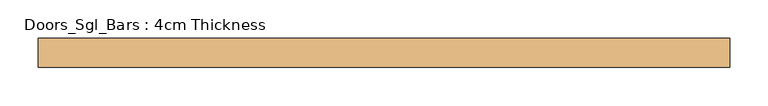
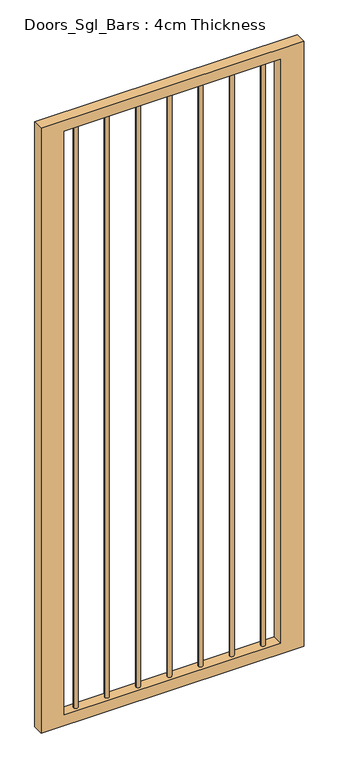
"""IFC4 building model written with IfcOpenShell, lengths in millimetres: door geometry, Doors_Sgl_Bars : 4cm Thickness."""

from ifc_helpers import new_model, si_unit, point, frame, frame_2d, origin, origin_2d, place, context, project, spatial, polyline, circle_curve, trimmed, segment, composite_curve, outline, extrude, source, transform, mapped, element, save


def doors_sgl_bars_4cm_thickness_d816c57e(model_context):
    return source(origin(), model_context, "Body", "SweptSolid", [
        extrude(outline(composite_curve([segment(trimmed(circle_curve(frame_2d((216.0166667, 0.0)), 7.5), [point((208.5166667, 0.0))], [point((223.5166667, 0.0))], False, "CARTESIAN"), True, "CONTINUOUS"), segment(trimmed(circle_curve(frame_2d((216.0166667, 0.0)), 7.5), [point((223.5166667, 0.0))], [point((208.5166667, 0.0))], False, "CARTESIAN"), True, "CONTINUOUS")], self_intersect=False)), frame((0.0, 0.0, 38.1), z_axis=(0.0, 0.0, 1.0), x_axis=(1.0, 0.0, 0.0)), (0.0, 0.0, 1.0), 2133.6),
        extrude(outline(composite_curve([segment(trimmed(circle_curve(frame_2d((108.0083333, 0.0)), 7.5), [point((100.5083333, 0.0))], [point((115.5083333, 0.0))], False, "CARTESIAN"), True, "CONTINUOUS"), segment(trimmed(circle_curve(frame_2d((108.0083333, 0.0)), 7.5), [point((115.5083333, 0.0))], [point((100.5083333, 0.0))], False, "CARTESIAN"), True, "CONTINUOUS")], self_intersect=False)), frame((0.0, 0.0, 38.1), z_axis=(0.0, 0.0, 1.0), x_axis=(1.0, 0.0, 0.0)), (0.0, 0.0, 1.0), 2133.6),
        extrude(outline(composite_curve([segment(trimmed(circle_curve(origin_2d(), 7.5), [point((-7.5, 0.0))], [point((7.5, 0.0))], False, "CARTESIAN"), True, "CONTINUOUS"), segment(trimmed(circle_curve(origin_2d(), 7.5), [point((7.5, 0.0))], [point((-7.5, 0.0))], False, "CARTESIAN"), True, "CONTINUOUS")], self_intersect=False)), frame((0.0, 0.0, 38.1), z_axis=(0.0, 0.0, 1.0), x_axis=(1.0, 0.0, 0.0)), (0.0, 0.0, 1.0), 2133.6),
        extrude(outline(composite_curve([segment(trimmed(circle_curve(frame_2d((-108.0083333, 0.0)), 7.5), [point((-115.5083333, 0.0))], [point((-100.5083333, 0.0))], False, "CARTESIAN"), True, "CONTINUOUS"), segment(trimmed(circle_curve(frame_2d((-108.0083333, 0.0)), 7.5), [point((-100.5083333, 0.0))], [point((-115.5083333, 0.0))], False, "CARTESIAN"), True, "CONTINUOUS")], self_intersect=False)), frame((0.0, 0.0, 38.1), z_axis=(0.0, 0.0, 1.0), x_axis=(1.0, 0.0, 0.0)), (0.0, 0.0, 1.0), 2133.6),
        extrude(outline(composite_curve([segment(trimmed(circle_curve(frame_2d((-216.0166667, 0.0)), 7.5), [point((-223.5166667, 0.0))], [point((-208.5166667, 0.0))], False, "CARTESIAN"), True, "CONTINUOUS"), segment(trimmed(circle_curve(frame_2d((-216.0166667, 0.0)), 7.5), [point((-208.5166667, 0.0))], [point((-223.5166667, 0.0))], False, "CARTESIAN"), True, "CONTINUOUS")], self_intersect=False)), frame((0.0, 0.0, 38.1), z_axis=(0.0, 0.0, 1.0), x_axis=(1.0, 0.0, 0.0)), (0.0, 0.0, 1.0), 2133.6),
        extrude(outline(composite_curve([segment(trimmed(circle_curve(frame_2d((324.025, 0.0)), 7.5), [point((316.525, 0.0))], [point((331.525, 0.0))], False, "CARTESIAN"), True, "CONTINUOUS"), segment(trimmed(circle_curve(frame_2d((324.025, 0.0)), 7.5), [point((331.525, 0.0))], [point((316.525, 0.0))], False, "CARTESIAN"), True, "CONTINUOUS")], self_intersect=False)), frame((0.0, 0.0, 38.1), z_axis=(0.0, 0.0, 1.0), x_axis=(1.0, 0.0, 0.0)), (0.0, 0.0, 1.0), 2133.6),
        extrude(outline(composite_curve([segment(trimmed(circle_curve(frame_2d((-324.025, 0.0)), 7.5), [point((-331.525, 0.0))], [point((-316.525, 0.0))], False, "CARTESIAN"), True, "CONTINUOUS"), segment(trimmed(circle_curve(frame_2d((-324.025, 0.0)), 7.5), [point((-316.525, 0.0))], [point((-331.525, 0.0))], False, "CARTESIAN"), True, "CONTINUOUS")], self_intersect=False)), frame((0.0, 0.0, 38.1), z_axis=(0.0, 0.0, 1.0), x_axis=(1.0, 0.0, 0.0)), (0.0, 0.0, 1.0), 2133.6),
        extrude(outline(polyline([(2208.7291869, -454.025), (0.0, -454.025), (0.0, 454.025), (2208.7291869, 454.025), (2208.7291869, -454.025)]), holes=[polyline([(38.1, 374.025), (38.1, -374.025), (2170.6291869, -374.025), (2170.6291869, 374.025), (38.1, 374.025)])]), frame((0.0, -19.05, 0.0), z_axis=(0.0, 1.0, 0.0), x_axis=(0.0, 0.0, 1.0)), (0.0, 0.0, 1.0), 38.1),
    ])


if __name__ == "__main__":
    model = new_model("IFC4")
    model_context = context("Model", 3, world=origin())
    ifc_project = project(units=[si_unit("LENGTHUNIT", "METRE", prefix="MILLI")], contexts=[model_context])
    site = spatial("IfcSite", under=ifc_project)
    building = spatial("IfcBuilding", under=site)
    placement = place(None, origin())
    doors_sgl_bars_4cm_thickness_shape = doors_sgl_bars_4cm_thickness_d816c57e(model_context)
    element("IfcDoor", 1, ObjectType="Doors_Sgl_Bars : 4cm Thickness", at=placement, inside=building, context=model_context, shape_type="MappedRepresentation", body=[
        mapped(doors_sgl_bars_4cm_thickness_shape, transform((0.0, 0.0, 0.0), x_axis=(1.0, 0.0, 0.0), y_axis=(0.0, 1.0, 0.0), z_axis=(0.0, 0.0, 1.0))),
    ])
    save(model, "model.ifc")
